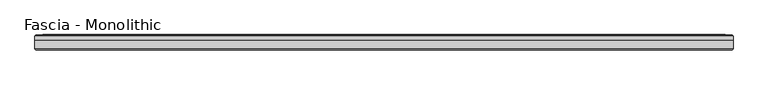
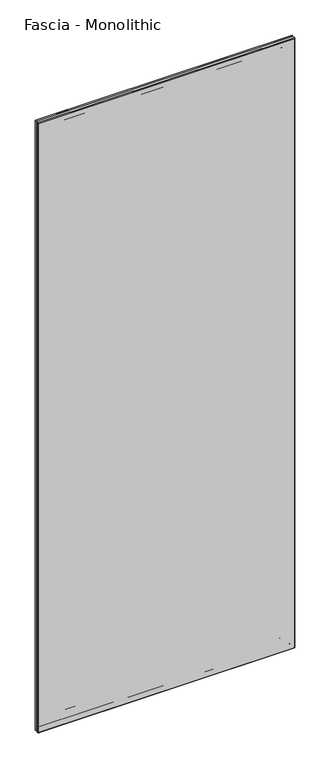
"""IFC4 building model written with IfcOpenShell, lengths in millimetres: proxy geometry, Fascia - Monolithic."""

from ifc_helpers import new_model, si_unit, frame, origin, place, context, project, spatial, ellipse_curve, source, transform, mapped, element, save
from ifc_brep_helpers import plane_surface, cylinder_surface, advanced_brep


def fascia_monolithic_0817405b(model_context):
    return source(origin(), model_context, "Body", "AdvancedBrep", [
        advanced_brep(
        [(-550.053743, 15.8650077, 46.2434077), (550.053743, 15.8650077, 46.2434077), (550.3231506, 16.7386, 45.974), (-550.3231506, 16.7386, 45.974), (-551.2275583, 14.6911923, 45.0695923), (551.2275583, 14.6911923, 45.0695923), (-544.1409583, 15.8650077, 52.1561923), (544.1409583, 15.8650077, 52.1561923), (542.967143, 14.6911923, 53.3300077), (-542.967143, 14.6911923, 53.3300077), (-543.8715506, 16.7386, 52.4256), (543.8715506, 16.7386, 52.4256), (-527.5901506, 15.5956, 68.707), (527.5901506, 15.5956, 68.707), (528.3521506, 16.7386, 67.945), (-528.3521506, 16.7386, 67.945), (-515.2711506, 8.4836, 81.026), (515.2711506, 8.4836, 81.026), (515.2711506, 15.5956, 81.026), (-515.2711506, 15.5956, 81.026), (-596.2971506, 15.2146, 0.0), (596.2971506, 15.2146, 0.0), (596.2971506, 8.4836, 0.0), (-596.2971506, 8.4836, 0.0), (-594.7731506, 16.7386, 1.524), (594.7731506, 16.7386, 1.524), (-592.725743, 15.8650077, 3.5714077), (592.725743, 15.8650077, 3.5714077), (592.9951506, 16.7386, 3.302), (-592.9951506, 16.7386, 3.302), (-593.8995583, 14.6911923, 2.3975923), (593.8995583, 14.6911923, 2.3975923), (-586.8129583, 15.8650077, 9.4841923), (586.8129583, 15.8650077, 9.4841923), (585.639143, 14.6911923, 10.6580077), (-585.639143, 14.6911923, 10.6580077), (-586.5435506, 16.7386, 9.7536), (586.5435506, 16.7386, 9.7536), (-581.6540506, 16.7386, 14.6431), (581.6540506, 16.7386, 14.6431), (583.1780506, 16.7386, 13.1191), (-583.1780506, 16.7386, 13.1191), (-575.6850506, 16.7386, 20.6121), (575.6850506, 16.7386, 20.6121), (578.0980506, 16.7386, 18.1991), (-578.0980506, 16.7386, 18.1991), (550.053743, 15.8650077, 2946.4799923), (550.3231506, 16.7386, 2946.7494), (551.2275583, 14.6911923, 2947.6538077), (544.1409583, 15.8650077, 2940.5672077), (542.967143, 14.6911923, 2939.3933923), (543.8715506, 16.7386, 2940.2978), (527.5901506, 15.5956, 2924.0164), (528.3521506, 16.7386, 2924.7784), (515.2711506, 8.4836, 2911.6974), (515.2711506, 15.5956, 2911.6974), (596.2971506, 15.2146, 2992.7234), (596.2971506, 8.4836, 2992.7234), (594.7731506, 16.7386, 2991.1994), (592.725743, 15.8650077, 2989.1519923), (592.9951506, 16.7386, 2989.4214), (593.8995583, 14.6911923, 2990.3258077), (586.8129583, 15.8650077, 2983.2392077), (585.639143, 14.6911923, 2982.0653923), (586.5435506, 16.7386, 2982.9698), (581.6540506, 16.7386, 2978.0803), (583.1780506, 16.7386, 2979.6043), (575.6850506, 16.7386, 2972.1113), (578.0980506, 16.7386, 2974.5243), (-550.053743, 15.8650077, 2946.4799923), (-550.3231506, 16.7386, 2946.7494), (-551.2275583, 14.6911923, 2947.6538077), (-544.1409583, 15.8650077, 2940.5672077), (-542.967143, 14.6911923, 2939.3933923), (-543.8715506, 16.7386, 2940.2978), (-527.5901506, 15.5956, 2924.0164), (-528.3521506, 16.7386, 2924.7784), (-515.2711506, 8.4836, 2911.6974), (-515.2711506, 15.5956, 2911.6974), (-596.2971506, 15.2146, 2992.7234), (-596.2971506, 8.4836, 2992.7234), (-594.7731506, 16.7386, 2991.1994), (-592.725743, 15.8650077, 2989.1519923), (-592.9951506, 16.7386, 2989.4214), (-593.8995583, 14.6911923, 2990.3258077), (-586.8129583, 15.8650077, 2983.2392077), (-585.639143, 14.6911923, 2982.0653923), (-586.5435506, 16.7386, 2982.9698), (-581.6540506, 16.7386, 2978.0803), (-583.1780506, 16.7386, 2979.6043), (-575.6850506, 16.7386, 2972.1113), (-578.0980506, 16.7386, 2974.5243)],
        [
            (0, 1),
            (1, 2, ellipse_curve(frame((550.4193353, 16.2306, 45.8778154), z_axis=(-0.7071067811865475, 0.0, -0.7071067811865475), x_axis=(-0.7071067811865476, 0.0, 0.7071067811865474)), 0.7311846, 0.5170256)),
            (2, 3),
            (3, 0, ellipse_curve(frame((-550.4193353, 16.2306, 45.8778154), z_axis=(0.7071067811865475, 0.0, -0.7071067811865475), x_axis=(-0.7071067811865476, 0.0, -0.7071067811865474)), 0.7311846, 0.5170256)),
            (4, 5),
            (5, 1),
            (0, 4),
            (6, 7),
            (7, 8),
            (8, 9),
            (9, 6),
            (10, 11),
            (11, 7, ellipse_curve(frame((543.775366, 16.2306, 52.5217846), z_axis=(-0.7071067811865475, 0.0, -0.7071067811865475), x_axis=(-0.7071067811865476, 0.0, 0.7071067811865474)), 0.7311846, 0.5170256)),
            (6, 10, ellipse_curve(frame((-543.775366, 16.2306, 52.5217846), z_axis=(0.7071067811865475, 0.0, -0.7071067811865475), x_axis=(-0.7071067811865476, 0.0, -0.7071067811865474)), 0.7311846, 0.5170256)),
            (12, 13),
            (13, 14),
            (14, 15),
            (15, 12),
            (16, 17),
            (17, 18),
            (18, 19),
            (19, 16),
            (20, 21),
            (21, 22),
            (22, 23),
            (23, 20),
            (24, 25),
            (25, 21),
            (20, 24),
            (26, 27),
            (27, 28, ellipse_curve(frame((593.0913353, 16.2306, 3.2058154), z_axis=(-0.7071067811865475, 0.0, -0.7071067811865475), x_axis=(-0.7071067811865476, 0.0, 0.7071067811865474)), 0.7311846, 0.5170256)),
            (28, 29),
            (29, 26, ellipse_curve(frame((-593.0913353, 16.2306, 3.2058154), z_axis=(0.7071067811865475, 0.0, -0.7071067811865475), x_axis=(-0.7071067811865476, 0.0, -0.7071067811865474)), 0.7311846, 0.5170256)),
            (30, 31),
            (31, 27),
            (26, 30),
            (32, 33),
            (33, 34),
            (34, 35),
            (35, 32),
            (36, 37),
            (37, 33, ellipse_curve(frame((586.447366, 16.2306, 9.8497846), z_axis=(-0.7071067811865475, 0.0, -0.7071067811865475), x_axis=(-0.7071067811865476, 0.0, 0.7071067811865474)), 0.7311846, 0.5170256)),
            (32, 36, ellipse_curve(frame((-586.447366, 16.2306, 9.8497846), z_axis=(0.7071067811865475, 0.0, -0.7071067811865475), x_axis=(-0.7071067811865476, 0.0, -0.7071067811865474)), 0.7311846, 0.5170256)),
            (38, 39),
            (39, 40, ellipse_curve(frame((582.4160506, 16.7386, 13.8811), z_axis=(-0.7071067811865475, 0.0, -0.7071067811865475), x_axis=(-0.7071067811865476, 0.0, 0.7071067811865474)), 1.0776307, 0.762)),
            (40, 41),
            (41, 38, ellipse_curve(frame((-582.4160506, 16.7386, 13.8811), z_axis=(0.7071067811865475, 0.0, -0.7071067811865475), x_axis=(-0.7071067811865476, 0.0, -0.7071067811865474)), 1.0776307, 0.762)),
            (42, 43),
            (43, 44, ellipse_curve(frame((576.8915506, 16.0202269, 19.4056), z_axis=(-0.7071067811865475, 0.0, -0.7071067811865475), x_axis=(-0.7071067811865476, 0.0, 0.7071067811865474)), 1.9858007, 1.4041731)),
            (44, 45),
            (45, 42, ellipse_curve(frame((-576.8915506, 16.0202269, 19.4056), z_axis=(0.7071067811865475, 0.0, -0.7071067811865475), x_axis=(-0.7071067811865476, 0.0, -0.7071067811865474)), 1.9858007, 1.4041731)),
            (1, 46),
            (46, 47, ellipse_curve(frame((550.4193353, 16.2306, 2946.8455846), z_axis=(0.7071067811865475, 0.0, -0.7071067811865475), x_axis=(-0.7071067811865474, 0.0, -0.7071067811865476)), 0.7311846, 0.5170256)),
            (47, 2),
            (5, 48),
            (48, 46),
            (7, 49),
            (49, 50),
            (50, 8),
            (11, 51),
            (51, 49, ellipse_curve(frame((543.775366, 16.2306, 2940.2016154), z_axis=(0.7071067811865475, 0.0, -0.7071067811865475), x_axis=(-0.7071067811865474, 0.0, -0.7071067811865476)), 0.7311846, 0.5170256)),
            (13, 52),
            (52, 53),
            (53, 14),
            (17, 54),
            (54, 55),
            (55, 18),
            (21, 56),
            (56, 57),
            (57, 22),
            (25, 58),
            (58, 56),
            (27, 59),
            (59, 60, ellipse_curve(frame((593.0913353, 16.2306, 2989.5175846), z_axis=(0.7071067811865475, 0.0, -0.7071067811865475), x_axis=(-0.7071067811865474, 0.0, -0.7071067811865476)), 0.7311846, 0.5170256)),
            (60, 28),
            (31, 61),
            (61, 59),
            (33, 62),
            (62, 63),
            (63, 34),
            (37, 64),
            (64, 62, ellipse_curve(frame((586.447366, 16.2306, 2982.8736154), z_axis=(0.7071067811865475, 0.0, -0.7071067811865475), x_axis=(-0.7071067811865474, 0.0, -0.7071067811865476)), 0.7311846, 0.5170256)),
            (39, 65),
            (65, 66, ellipse_curve(frame((582.4160506, 16.7386, 2978.8423), z_axis=(0.7071067811865475, 0.0, -0.7071067811865475), x_axis=(-0.7071067811865474, 0.0, -0.7071067811865476)), 1.0776307, 0.762)),
            (66, 40),
            (43, 67),
            (67, 68, ellipse_curve(frame((576.8915506, 16.0202269, 2973.3178), z_axis=(0.7071067811865475, 0.0, -0.7071067811865475), x_axis=(-0.7071067811865474, 0.0, -0.7071067811865476)), 1.9858007, 1.4041731)),
            (68, 44),
            (46, 69),
            (69, 70, ellipse_curve(frame((-550.4193353, 16.2306, 2946.8455846), z_axis=(0.7071067811865475, 0.0, 0.7071067811865475), x_axis=(0.7071067811865476, 0.0, -0.7071067811865474)), 0.7311846, 0.5170256)),
            (70, 47),
            (48, 71),
            (71, 69),
            (49, 72),
            (72, 73),
            (73, 50),
            (51, 74),
            (74, 72, ellipse_curve(frame((-543.775366, 16.2306, 2940.2016154), z_axis=(0.7071067811865475, 0.0, 0.7071067811865475), x_axis=(0.7071067811865476, 0.0, -0.7071067811865474)), 0.7311846, 0.5170256)),
            (52, 75),
            (75, 76),
            (76, 53),
            (54, 77),
            (77, 78),
            (78, 55),
            (56, 79),
            (79, 80),
            (80, 57),
            (58, 81),
            (81, 79),
            (59, 82),
            (82, 83, ellipse_curve(frame((-593.0913353, 16.2306, 2989.5175846), z_axis=(0.7071067811865475, 0.0, 0.7071067811865475), x_axis=(0.7071067811865476, 0.0, -0.7071067811865474)), 0.7311846, 0.5170256)),
            (83, 60),
            (61, 84),
            (84, 82),
            (62, 85),
            (85, 86),
            (86, 63),
            (64, 87),
            (87, 85, ellipse_curve(frame((-586.447366, 16.2306, 2982.8736154), z_axis=(0.7071067811865475, 0.0, 0.7071067811865475), x_axis=(0.7071067811865476, 0.0, -0.7071067811865474)), 0.7311846, 0.5170256)),
            (65, 88),
            (88, 89, ellipse_curve(frame((-582.4160506, 16.7386, 2978.8423), z_axis=(0.7071067811865475, 0.0, 0.7071067811865475), x_axis=(0.7071067811865476, 0.0, -0.7071067811865474)), 1.0776307, 0.762)),
            (89, 66),
            (67, 90),
            (90, 91, ellipse_curve(frame((-576.8915506, 16.0202269, 2973.3178), z_axis=(0.7071067811865475, 0.0, 0.7071067811865475), x_axis=(0.7071067811865476, 0.0, -0.7071067811865474)), 1.9858007, 1.4041731)),
            (91, 68),
            (42, 90),
            (70, 3),
            (69, 0),
            (71, 4),
            (73, 9),
            (72, 6),
            (74, 10),
            (76, 15),
            (75, 12),
            (78, 19),
            (77, 16),
            (80, 23),
            (79, 20),
            (81, 24),
            (83, 29),
            (82, 26),
            (84, 30),
            (86, 35),
            (85, 32),
            (87, 36),
            (89, 41),
            (88, 38),
            (91, 45),
        ],
        [
            cylinder_surface(frame((-596.2971506, 16.2306, 45.8778154), z_axis=(-1.0, 0.0, 0.0), x_axis=(0.0, 0.0, 1.0)), 0.5170256),
            plane_surface(frame((-550.053743, 15.8650077, 46.2434077), z_axis=(0.0, -0.7071067813016592, 0.7071067810714359), x_axis=(1.0, 0.0, 0.0))),
            plane_surface(frame((-542.967143, 14.6911923, 53.3300077), z_axis=(0.0, -0.7071067813016237, -0.7071067810714713), x_axis=(1.0, 0.0, 0.0))),
            cylinder_surface(frame((-596.2971506, 16.2306, 52.5217846), z_axis=(-1.0, 0.0, 0.0), x_axis=(0.0, 0.0, 1.0)), 0.5170256),
            plane_surface(frame((-528.3521506, 16.7386, 67.945), z_axis=(0.0, 0.554700195976685, 0.8320502945035398), x_axis=(1.0, 0.0, 0.0))),
            plane_surface(frame((-515.2711506, 15.5956, 81.026), z_axis=(0.0, 0.0, 1.0), x_axis=(1.0, 0.0, 0.0))),
            plane_surface(frame((-596.2971506, 8.4836, 0.0), z_axis=(0.0, 0.0, -1.0), x_axis=(1.0, 0.0, 0.0))),
            plane_surface(frame((-596.2971506, 15.2146, 0.0), z_axis=(0.0, 0.7071067811865392, -0.7071067811865558), x_axis=(1.0, 0.0, 0.0))),
            cylinder_surface(frame((-596.2971506, 16.2306, 3.2058154), z_axis=(-1.0, 0.0, 0.0), x_axis=(0.0, 0.0, 1.0)), 0.5170256),
            plane_surface(frame((-592.725743, 15.8650077, 3.5714077), z_axis=(0.0, -0.707106781113895, 0.7071067812592001), x_axis=(1.0, 0.0, 0.0))),
            plane_surface(frame((-585.639143, 14.6911923, 10.6580077), z_axis=(0.0, -0.7071067811880475, -0.7071067811850476), x_axis=(1.0, 0.0, 0.0))),
            cylinder_surface(frame((-596.2971506, 16.2306, 9.8497846), z_axis=(-1.0, 0.0, 0.0), x_axis=(0.0, 0.0, 1.0)), 0.5170256),
            cylinder_surface(frame((-596.2971506, 16.7386, 13.8811), z_axis=(-1.0, 0.0, 0.0), x_axis=(0.0, 0.0, 1.0)), 0.762),
            cylinder_surface(frame((-596.2971506, 16.0202269, 19.4056), z_axis=(-1.0, 0.0, 0.0), x_axis=(0.0, 0.0, 1.0)), 1.4041731),
            cylinder_surface(frame((550.4193353, 16.2306, 0.0), z_axis=(0.0, 0.0, -1.0), x_axis=(-1.0, 0.0, 0.0)), 0.5170256),
            plane_surface(frame((550.053743, 15.8650077, 46.2434077), z_axis=(-0.7071067810714261, -0.7071067813016689, 0.0), x_axis=(0.0, 0.0, 1.0))),
            plane_surface(frame((542.967143, 14.6911923, 53.3300077), z_axis=(0.7071067810714811, -0.707106781301614, 0.0), x_axis=(0.0, 0.0, 1.0))),
            cylinder_surface(frame((543.775366, 16.2306, 0.0), z_axis=(0.0, 0.0, -1.0), x_axis=(-1.0, 0.0, 0.0)), 0.5170256),
            plane_surface(frame((528.3521506, 16.7386, 67.945), z_axis=(-0.8320502945035475, 0.5547001959766734, 0.0), x_axis=(0.0, 0.0, 1.0))),
            plane_surface(frame((515.2711506, 15.5956, 81.026), z_axis=(-1.0, 0.0, 0.0), x_axis=(0.0, 0.0, 1.0))),
            plane_surface(frame((596.2971506, 8.4836, 0.0), z_axis=(1.0, 0.0, 0.0), x_axis=(0.0, 0.0, 1.0))),
            plane_surface(frame((596.2971506, 15.2146, 0.0), z_axis=(0.707106781186546, 0.707106781186549, 0.0), x_axis=(0.0, 0.0, 1.0))),
            cylinder_surface(frame((593.0913353, 16.2306, 0.0), z_axis=(0.0, 0.0, -1.0), x_axis=(-1.0, 0.0, 0.0)), 0.5170256),
            plane_surface(frame((592.725743, 15.8650077, 3.5714077), z_axis=(-0.7071067812591904, -0.7071067811139048, 0.0), x_axis=(0.0, 0.0, 1.0))),
            plane_surface(frame((585.639143, 14.6911923, 10.6580077), z_axis=(0.7071067811850573, -0.7071067811880377, 0.0), x_axis=(0.0, 0.0, 1.0))),
            cylinder_surface(frame((586.447366, 16.2306, 0.0), z_axis=(0.0, 0.0, -1.0), x_axis=(-1.0, 0.0, 0.0)), 0.5170256),
            cylinder_surface(frame((582.4160506, 16.7386, 0.0), z_axis=(0.0, 0.0, -1.0), x_axis=(-1.0, 0.0, 0.0)), 0.762),
            cylinder_surface(frame((576.8915506, 16.0202269, 0.0), z_axis=(0.0, 0.0, -1.0), x_axis=(-1.0, 0.0, 0.0)), 1.4041731),
            cylinder_surface(frame((596.2971506, 16.2306, 2946.8455846), z_axis=(1.0, 0.0, 0.0), x_axis=(0.0, 0.0, -1.0)), 0.5170256),
            plane_surface(frame((550.053743, 15.8650077, 2946.4799923), z_axis=(0.0, -0.7071067813016787, -0.7071067810714163), x_axis=(-1.0, 0.0, 0.0))),
            plane_surface(frame((542.967143, 14.6911923, 2939.3933923), z_axis=(0.0, -0.7071067813016042, 0.7071067810714908), x_axis=(-1.0, 0.0, 0.0))),
            cylinder_surface(frame((596.2971506, 16.2306, 2940.2016154), z_axis=(1.0, 0.0, 0.0), x_axis=(0.0, 0.0, -1.0)), 0.5170256),
            plane_surface(frame((528.3521506, 16.7386, 2924.7784), z_axis=(0.0, 0.5547001959766619, -0.8320502945035552), x_axis=(-1.0, 0.0, 0.0))),
            plane_surface(frame((515.2711506, 15.5956, 2911.6974), z_axis=(0.0, 0.0, -1.0), x_axis=(-1.0, 0.0, 0.0))),
            plane_surface(frame((596.2971506, 8.4836, 2992.7234), z_axis=(0.0, 0.0, 1.0), x_axis=(-1.0, 0.0, 0.0))),
            plane_surface(frame((596.2971506, 15.2146, 2992.7234), z_axis=(0.0, 0.7071067811865588, 0.7071067811865362), x_axis=(-1.0, 0.0, 0.0))),
            cylinder_surface(frame((596.2971506, 16.2306, 2989.5175846), z_axis=(1.0, 0.0, 0.0), x_axis=(0.0, 0.0, -1.0)), 0.5170256),
            plane_surface(frame((592.725743, 15.8650077, 2989.1519923), z_axis=(0.0, -0.7071067811139146, -0.7071067812591806), x_axis=(-1.0, 0.0, 0.0))),
            plane_surface(frame((585.639143, 14.6911923, 2982.0653923), z_axis=(0.0, -0.7071067811880279, 0.7071067811850671), x_axis=(-1.0, 0.0, 0.0))),
            cylinder_surface(frame((596.2971506, 16.2306, 2982.8736154), z_axis=(1.0, 0.0, 0.0), x_axis=(0.0, 0.0, -1.0)), 0.5170256),
            cylinder_surface(frame((596.2971506, 16.7386, 2978.8423), z_axis=(1.0, 0.0, 0.0), x_axis=(0.0, 0.0, -1.0)), 0.762),
            cylinder_surface(frame((596.2971506, 16.0202269, 2973.3178), z_axis=(1.0, 0.0, 0.0), x_axis=(0.0, 0.0, -1.0)), 1.4041731),
            plane_surface(frame((-575.6850506, 16.7386, 2972.1113), z_axis=(0.0, 1.0, 0.0), x_axis=(0.0, 0.0, -1.0))),
            cylinder_surface(frame((-550.4193353, 16.2306, 2992.7234), z_axis=(0.0, 0.0, 1.0), x_axis=(1.0, 0.0, 0.0)), 0.5170256),
            plane_surface(frame((-550.053743, 15.8650077, 2946.4799923), z_axis=(0.7071067810714261, -0.7071067813016689, 0.0), x_axis=(0.0, 0.0, -1.0))),
            plane_surface(frame((-551.2275583, 14.6911923, 2947.6538077), z_axis=(0.0, 1.0, 0.0), x_axis=(0.0, 0.0, -1.0))),
            plane_surface(frame((-542.967143, 14.6911923, 2939.3933923), z_axis=(-0.7071067810714811, -0.707106781301614, 0.0), x_axis=(0.0, 0.0, -1.0))),
            cylinder_surface(frame((-543.775366, 16.2306, 2992.7234), z_axis=(0.0, 0.0, 1.0), x_axis=(1.0, 0.0, 0.0)), 0.5170256),
            plane_surface(frame((-543.8715506, 16.7386, 2940.2978), z_axis=(0.0, 1.0, 0.0), x_axis=(0.0, 0.0, -1.0))),
            plane_surface(frame((-528.3521506, 16.7386, 2924.7784), z_axis=(0.8320502945035475, 0.5547001959766734, 0.0), x_axis=(0.0, 0.0, -1.0))),
            plane_surface(frame((-527.5901506, 15.5956, 2924.0164), z_axis=(0.0, 1.0, 0.0), x_axis=(0.0, 0.0, -1.0))),
            plane_surface(frame((-515.2711506, 15.5956, 2911.6974), z_axis=(1.0, 0.0, 0.0), x_axis=(0.0, 0.0, -1.0))),
            plane_surface(frame((-515.2711506, 8.4836, 2911.6974), z_axis=(0.0, -1.0, 0.0), x_axis=(0.0, 0.0, -1.0))),
            plane_surface(frame((-596.2971506, 8.4836, 2992.7234), z_axis=(-1.0, 0.0, 0.0), x_axis=(0.0, 0.0, -1.0))),
            plane_surface(frame((-596.2971506, 15.2146, 2992.7234), z_axis=(-0.707106781186546, 0.707106781186549, 0.0), x_axis=(0.0, 0.0, -1.0))),
            plane_surface(frame((-594.7731506, 16.7386, 2991.1994), z_axis=(0.0, 1.0, 0.0), x_axis=(0.0, 0.0, -1.0))),
            cylinder_surface(frame((-593.0913353, 16.2306, 2992.7234), z_axis=(0.0, 0.0, 1.0), x_axis=(1.0, 0.0, 0.0)), 0.5170256),
            plane_surface(frame((-592.725743, 15.8650077, 2989.1519923), z_axis=(0.7071067812591904, -0.7071067811139048, 0.0), x_axis=(0.0, 0.0, -1.0))),
            plane_surface(frame((-593.8995583, 14.6911923, 2990.3258077), z_axis=(0.0, 1.0, 0.0), x_axis=(0.0, 0.0, -1.0))),
            plane_surface(frame((-585.639143, 14.6911923, 2982.0653923), z_axis=(-0.7071067811850573, -0.7071067811880377, 0.0), x_axis=(0.0, 0.0, -1.0))),
            cylinder_surface(frame((-586.447366, 16.2306, 2992.7234), z_axis=(0.0, 0.0, 1.0), x_axis=(1.0, 0.0, 0.0)), 0.5170256),
            plane_surface(frame((-586.5435506, 16.7386, 2982.9698), z_axis=(0.0, 1.0, 0.0), x_axis=(0.0, 0.0, -1.0))),
            cylinder_surface(frame((-582.4160506, 16.7386, 2992.7234), z_axis=(0.0, 0.0, 1.0), x_axis=(1.0, 0.0, 0.0)), 0.762),
            plane_surface(frame((-581.6540506, 16.7386, 2978.0803), z_axis=(0.0, 1.0, 0.0), x_axis=(0.0, 0.0, -1.0))),
            cylinder_surface(frame((-576.8915506, 16.0202269, 2992.7234), z_axis=(0.0, 0.0, 1.0), x_axis=(1.0, 0.0, 0.0)), 1.4041731),
        ],
        [
            (0, [[1, 2, 3, 4]]),
            (1, [[5, 6, -1, 7]]),
            (2, [[8, 9, 10, 11]]),
            (3, [[12, 13, -8, 14]]),
            (4, [[15, 16, 17, 18]]),
            (5, [[19, 20, 21, 22]]),
            (6, [[23, 24, 25, 26]]),
            (7, [[27, 28, -23, 29]]),
            (8, [[30, 31, 32, 33]]),
            (9, [[34, 35, -30, 36]]),
            (10, [[37, 38, 39, 40]]),
            (11, [[41, 42, -37, 43]]),
            (12, [[44, 45, 46, 47]]),
            (13, [[48, 49, 50, 51]]),
            (14, [[52, 53, 54, -2]]),
            (15, [[55, 56, -52, -6]]),
            (16, [[57, 58, 59, -9]]),
            (17, [[60, 61, -57, -13]]),
            (18, [[62, 63, 64, -16]]),
            (19, [[65, 66, 67, -20]]),
            (20, [[68, 69, 70, -24]]),
            (21, [[71, 72, -68, -28]]),
            (22, [[73, 74, 75, -31]]),
            (23, [[76, 77, -73, -35]]),
            (24, [[78, 79, 80, -38]]),
            (25, [[81, 82, -78, -42]]),
            (26, [[83, 84, 85, -45]]),
            (27, [[86, 87, 88, -49]]),
            (28, [[89, 90, 91, -53]]),
            (29, [[92, 93, -89, -56]]),
            (30, [[94, 95, 96, -58]]),
            (31, [[97, 98, -94, -61]]),
            (32, [[99, 100, 101, -63]]),
            (33, [[102, 103, 104, -66]]),
            (34, [[105, 106, 107, -69]]),
            (35, [[108, 109, -105, -72]]),
            (36, [[110, 111, 112, -74]]),
            (37, [[113, 114, -110, -77]]),
            (38, [[115, 116, 117, -79]]),
            (39, [[118, 119, -115, -82]]),
            (40, [[120, 121, 122, -84]]),
            (41, [[123, 124, 125, -87]]),
            (42, [[-48, 126, -123, -86], [-3, -54, -91, 127]]),
            (43, [[128, -4, -127, -90]]),
            (44, [[129, -7, -128, -93]]),
            (45, [[-5, -129, -92, -55], [-10, -59, -96, 130]]),
            (46, [[131, -11, -130, -95]]),
            (47, [[132, -14, -131, -98]]),
            (48, [[-12, -132, -97, -60], [-17, -64, -101, 133]]),
            (49, [[134, -18, -133, -100]]),
            (50, [[-15, -134, -99, -62], [-21, -67, -104, 135]]),
            (51, [[136, -22, -135, -103]]),
            (52, [[-25, -70, -107, 137], [-19, -136, -102, -65]]),
            (53, [[138, -26, -137, -106]]),
            (54, [[139, -29, -138, -109]]),
            (55, [[-27, -139, -108, -71], [-32, -75, -112, 140]]),
            (56, [[141, -33, -140, -111]]),
            (57, [[142, -36, -141, -114]]),
            (58, [[-34, -142, -113, -76], [-39, -80, -117, 143]]),
            (59, [[144, -40, -143, -116]]),
            (60, [[145, -43, -144, -119]]),
            (61, [[-41, -145, -118, -81], [-46, -85, -122, 146]]),
            (62, [[147, -47, -146, -121]]),
            (63, [[-44, -147, -120, -83], [-50, -88, -125, 148]]),
            (64, [[-126, -51, -148, -124]]),
        ],
    ),
        advanced_brep(
        [(-596.2971506, 8.4836, 2992.7234), (-596.2971506, -6.1862895, 2992.7234), (596.2971506, -6.1862895, 2992.7234), (596.2971506, 8.4836, 2992.7234), (596.2971506, 8.4836, 0.0), (596.2971506, -6.1862895, 0.0), (-596.2971506, -6.1862895, 0.0), (-596.2971506, 8.4836, 0.0), (593.9998402, -8.4836, 2.2973105), (593.9998402, -8.4836, 2990.4260895), (-593.9998402, -8.4836, 2990.4260895), (-593.9998402, -8.4836, 2.2973105)],
        [
            (0, 1),
            (1, 2),
            (2, 3),
            (3, 0),
            (4, 5),
            (5, 6),
            (6, 7),
            (7, 4),
            (8, 9),
            (9, 10),
            (10, 11),
            (11, 8),
            (6, 1),
            (0, 7),
            (3, 4),
            (2, 5),
            (11, 6, ellipse_curve(frame((-593.9998402, -6.1862895, 2.2973105), z_axis=(0.7071067811865475, 0.0, -0.7071067811865475), x_axis=(0.7071067811865476, 0.0, 0.7071067811865474)), 3.2488876, 2.2973105)),
            (5, 8, ellipse_curve(frame((593.9998402, -6.1862895, 2.2973105), z_axis=(-0.7071067811865475, 0.0, -0.7071067811865475), x_axis=(0.7071067811865476, 0.0, -0.7071067811865474)), 3.2488876, 2.2973105)),
            (2, 9, ellipse_curve(frame((593.9998402, -6.1862895, 2990.4260895), z_axis=(0.7071067811865475, 0.0, -0.7071067811865475), x_axis=(0.7071067811865474, 0.0, 0.7071067811865476)), 3.2488876, 2.2973105)),
            (1, 10, ellipse_curve(frame((-593.9998402, -6.1862895, 2990.4260895), z_axis=(0.7071067811865475, 0.0, 0.7071067811865475), x_axis=(-0.7071067811865476, 0.0, 0.7071067811865474)), 3.2488876, 2.2973105)),
        ],
        [
            plane_surface(frame((0.0, -198.5529455, 2992.7234), z_axis=(0.0, 0.0, 1.0), x_axis=(0.0, 1.0, 0.0))),
            plane_surface(frame((0.0, -198.5529455, 0.0), z_axis=(0.0, 0.0, -1.0), x_axis=(0.0, 1.0, 0.0))),
            plane_surface(frame((596.2971506, -8.4836, 2992.7234), z_axis=(0.0, -1.0, 0.0), x_axis=(0.0, 0.0, -1.0))),
            plane_surface(frame((-596.2971506, -8.4836, 2992.7234), z_axis=(-1.0, 0.0, 0.0), x_axis=(0.0, 0.0, -1.0))),
            plane_surface(frame((-596.2971506, 8.4836, 2992.7234), z_axis=(0.0, 1.0, 0.0), x_axis=(0.0, 0.0, -1.0))),
            plane_surface(frame((596.2971506, 8.4836, 2992.7234), z_axis=(1.0, 0.0, 0.0), x_axis=(0.0, 0.0, -1.0))),
            cylinder_surface(frame((-596.2971506, -6.1862895, 2.2973105), z_axis=(1.0, 0.0, 0.0), x_axis=(0.0, 1.0, 0.0)), 2.2973105),
            cylinder_surface(frame((593.9998402, -6.1862895, 0.0), z_axis=(0.0, 0.0, 1.0), x_axis=(0.0, 1.0, 0.0)), 2.2973105),
            cylinder_surface(frame((596.2971506, -6.1862895, 2990.4260895), z_axis=(-1.0, 0.0, 0.0), x_axis=(0.0, 1.0, 0.0)), 2.2973105),
            cylinder_surface(frame((-593.9998402, -6.1862895, 2992.7234), z_axis=(0.0, 0.0, -1.0), x_axis=(0.0, 1.0, 0.0)), 2.2973105),
        ],
        [
            (0, [[1, 2, 3, 4]]),
            (1, [[5, 6, 7, 8]]),
            (2, [[9, 10, 11, 12]]),
            (3, [[-7, 13, -1, 14]]),
            (4, [[15, -8, -14, -4]]),
            (5, [[-3, 16, -5, -15]]),
            (6, [[-12, 17, -6, 18]]),
            (7, [[-16, 19, -9, -18]]),
            (8, [[-2, 20, -10, -19]]),
            (9, [[-11, -20, -13, -17]]),
        ],
    ),
    ])


if __name__ == "__main__":
    model = new_model("IFC4")
    model_context = context("Model", 3, world=origin())
    ifc_project = project(units=[si_unit("LENGTHUNIT", "METRE", prefix="MILLI")], contexts=[model_context])
    site = spatial("IfcSite", under=ifc_project)
    building = spatial("IfcBuilding", under=site)
    placement = place(None, origin())
    fascia_monolithic_shape = fascia_monolithic_0817405b(model_context)
    element("IfcBuildingElementProxy", 1, Name="Fascia - Monolithic", ObjectType="Fascia - Monolithic", at=placement, inside=building, context=model_context, shape_type="MappedRepresentation", body=[
        mapped(fascia_monolithic_shape, transform((0.0, 0.0, 0.0), x_axis=(1.0, 0.0, 0.0), y_axis=(0.0, 1.0, 0.0), z_axis=(0.0, 0.0, 1.0))),
    ])
    save(model, "model.ifc")
